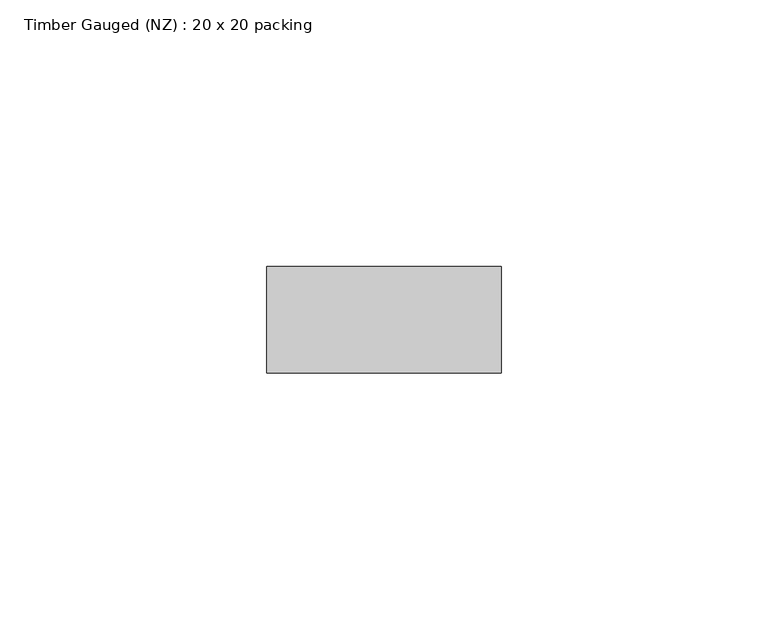
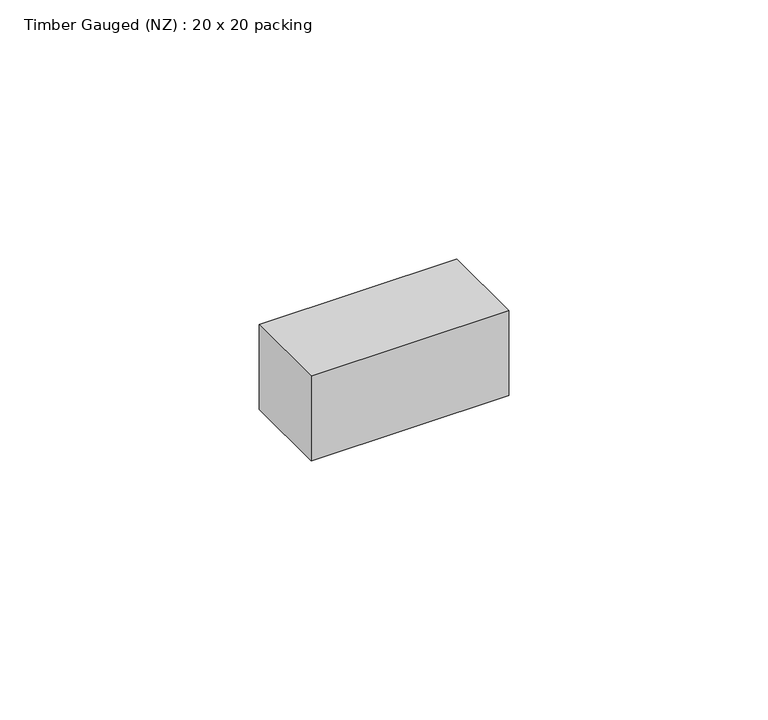
"""IFC4 building model written with IfcOpenShell, lengths in millimetres: beam geometry, Timber Gauged (NZ) : 20 x 20 packing."""

from ifc_helpers import new_model, si_unit, frame, origin, place, context, project, spatial, polyline, outline, extrude, source, transform, mapped, element, save


def timber_gauged_nz_20_x_20_packing_0de77219(model_context):
    return source(origin(), model_context, "Body", "SweptSolid", [
        extrude(outline(polyline([(22.5, 10.0), (22.5, -10.0), (-21.5, -10.0), (-21.5, 10.0), (22.5, 10.0)])), frame((0.0, 0.0, -10.0), z_axis=(0.0, 0.0, 1.0), x_axis=(1.0, 0.0, 0.0)), (0.0, 0.0, 1.0), 20.0),
    ])


if __name__ == "__main__":
    model = new_model("IFC4")
    model_context = context("Model", 3, world=origin())
    ifc_project = project(units=[si_unit("LENGTHUNIT", "METRE", prefix="MILLI")], contexts=[model_context])
    site = spatial("IfcSite", under=ifc_project)
    building = spatial("IfcBuilding", under=site)
    placement = place(None, origin())
    timber_gauged_nz_20_x_20_packing_shape = timber_gauged_nz_20_x_20_packing_0de77219(model_context)
    element("IfcBeam", 1, ObjectType="Timber Gauged (NZ) : 20 x 20 packing", at=placement, inside=building, context=model_context, shape_type="MappedRepresentation", body=[
        mapped(timber_gauged_nz_20_x_20_packing_shape, transform((0.0, 0.0, 0.0), x_axis=(1.0, 0.0, 0.0), y_axis=(0.0, 1.0, 0.0), z_axis=(0.0, 0.0, 1.0))),
    ])
    save(model, "model.ifc")
